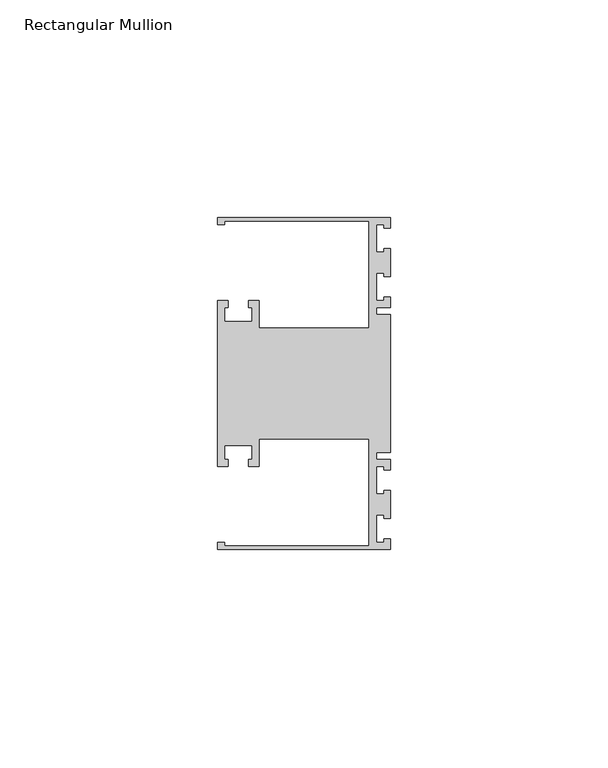
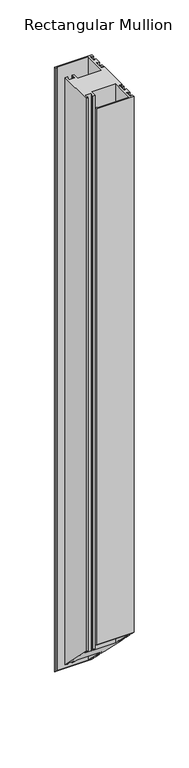
"""IFC4 building model written with IfcOpenShell, lengths in millimetres: member geometry, Rectangular Mullion."""

from ifc_helpers import new_model, si_unit, origin, place, context, project, spatial, faceted_brep, source, transform, mapped, element, save


def rectangular_mullion_b7568340(model_context):
    return source(origin(), model_context, "Body", "Brep", [
        faceted_brep([(0.0, 38.1, 0.0), (-39.6875, 38.1, 0.0), (-39.6875, 36.5125, 0.0), (-38.1, 36.5125, 0.0), (-38.1, 37.30625, 0.0), (-4.8585733, 37.30625, 0.0), (-4.8585733, 12.6999969, 0.0), (-30.1625, 12.6999969, 0.0), (-30.1625, 19.05, 0.0), (-32.54375, 19.05, 0.0), (-32.54375, 17.4625, 0.0), (-31.75, 17.4625, 0.0), (-31.75, 14.2875, 0.0), (-38.1, 14.2875, 0.0), (-38.1, 17.4625, 0.0), (-37.30625, 17.4625, 0.0), (-37.30625, 19.05, 0.0), (-39.6875, 19.05, 0.0), (-39.6875, -19.05, 0.0), (-37.30625, -19.05, 0.0), (-37.30625, -17.4625, 0.0), (-38.1, -17.4625, 0.0), (-38.1, -14.2875, 0.0), (-31.75, -14.2875, 0.0), (-31.75, -17.4625, 0.0), (-32.54375, -17.4625, 0.0), (-32.54375, -19.05, 0.0), (-30.1625, -19.05, 0.0), (-30.1625, -12.6999969, 0.0), (-4.8585733, -12.6999969, 0.0), (-4.8585733, -37.30625, 0.0), (-38.1, -37.30625, 0.0), (-38.1, -36.5125, 0.0), (-39.6875, -36.5125, 0.0), (-39.6875, -38.1, 0.0), (0.0, -38.1, 0.0), (0.0, -35.71875, 0.0), (-1.4999946, -35.71875, 0.0), (-1.4999946, -36.5125, 0.0), (-3.175, -36.5125, 0.0), (-3.175, -30.1625, 0.0), (-1.4999946, -30.1625, 0.0), (-1.4999946, -30.95625, 0.0), (0.0, -30.95625, 0.0), (0.0, -24.60625, 0.0), (-1.4999946, -24.60625, 0.0), (-1.4999946, -25.4, 0.0), (-3.175, -25.4, 0.0), (-3.175, -19.05, 0.0), (-1.4999946, -19.05, 0.0), (-1.4999946, -19.84375, 0.0), (0.0, -19.84375, 0.0), (0.0, -17.4625, 0.0), (-3.175, -17.4625, 0.0), (-3.175, -15.875, 0.0), (0.0, -15.875, 0.0), (0.0, 15.875, 0.0), (-3.175, 15.875, 0.0), (-3.175, 17.4625, 0.0), (0.0, 17.4625, 0.0), (0.0, 19.84375, 0.0), (-1.4999946, 19.84375, 0.0), (-1.4999946, 19.05, 0.0), (-3.175, 19.05, 0.0), (-3.175, 25.4, 0.0), (-1.4999946, 25.4, 0.0), (-1.4999946, 24.60625, 0.0), (0.0, 24.60625, 0.0), (0.0, 30.95625, 0.0), (-1.4999946, 30.95625, 0.0), (-1.4999946, 30.1625, 0.0), (-3.175, 30.1625, 0.0), (-3.175, 36.5125, 0.0), (-1.4999946, 36.5125, 0.0), (-1.4999946, 35.71875, 0.0), (0.0, 35.71875, 0.0), (0.0, 38.1, -673.1), (-39.6875, 38.1, -673.1), (-39.6875, 36.5125, -671.5125), (-38.1, 36.5125, -671.5125), (-38.1, 37.30625, -672.30625), (-4.8585733, 37.30625, -672.30625), (-4.8585733, 12.6999969, -647.6999969), (-30.1625, 12.6999969, -647.6999969), (-30.1625, 19.05, -654.05), (-32.54375, 19.05, -654.05), (-32.54375, 17.4625, -652.4625), (-31.75, 17.4625, -652.4625), (-31.75, 14.2875, -649.2875), (-38.1, 14.2875, -649.2875), (-38.1, 17.4625, -652.4625), (-37.30625, 17.4625, -652.4625), (-37.30625, 19.05, -654.05), (-39.6875, 19.05, -654.05), (-39.6875, -19.05, -615.95), (-37.30625, -19.05, -615.95), (-37.30625, -17.4625, -617.5375), (-38.1, -17.4625, -617.5375), (-38.1, -14.2875, -620.7125), (-31.75, -14.2875, -620.7125), (-31.75, -17.4625, -617.5375), (-32.54375, -17.4625, -617.5375), (-32.54375, -19.05, -615.95), (-30.1625, -19.05, -615.95), (-30.1625, -12.6999969, -622.3000031), (-4.8585733, -12.6999969, -622.3000031), (-4.8585733, -37.30625, -597.69375), (-38.1, -37.30625, -597.69375), (-38.1, -36.5125, -598.4875), (-39.6875, -36.5125, -598.4875), (-39.6875, -38.1, -596.9), (0.0, -38.1, -596.9), (0.0, -35.71875, -599.28125), (-1.4999946, -35.71875, -599.28125), (-1.4999946, -36.5125, -598.4875), (-3.175, -36.5125, -598.4875), (-3.175, -30.1625, -604.8375), (-1.4999946, -30.1625, -604.8375), (-1.4999946, -30.95625, -604.04375), (0.0, -30.95625, -604.04375), (0.0, -24.60625, -610.39375), (-1.4999946, -24.60625, -610.39375), (-1.4999946, -25.4, -609.6), (-3.175, -25.4, -609.6), (-3.175, -19.05, -615.95), (-1.4999946, -19.05, -615.95), (-1.4999946, -19.84375, -615.15625), (0.0, -19.84375, -615.15625), (0.0, -17.4625, -617.5375), (-3.175, -17.4625, -617.5375), (-3.175, -15.875, -619.125), (0.0, -15.875, -619.125), (0.0, 15.875, -650.875), (-3.175, 15.875, -650.875), (-3.175, 17.4625, -652.4625), (0.0, 17.4625, -652.4625), (0.0, 19.84375, -654.84375), (-1.4999946, 19.84375, -654.84375), (-1.4999946, 19.05, -654.05), (-3.175, 19.05, -654.05), (-3.175, 25.4, -660.4), (-1.4999946, 25.4, -660.4), (-1.4999946, 24.60625, -659.60625), (0.0, 24.60625, -659.60625), (0.0, 30.95625, -665.95625), (-1.4999946, 30.95625, -665.95625), (-1.4999946, 30.1625, -665.1625), (-3.175, 30.1625, -665.1625), (-3.175, 36.5125, -671.5125), (-1.4999946, 36.5125, -671.5125), (-1.4999946, 35.71875, -670.71875), (0.0, 35.71875, -670.71875)], [[[0, 1, 2, 3, 4, 5, 6, 7, 8, 9, 10, 11, 12, 13, 14, 15, 16, 17, 18, 19, 20, 21, 22, 23, 24, 25, 26, 27, 28, 29, 30, 31, 32, 33, 34, 35, 36, 37, 38, 39, 40, 41, 42, 43, 44, 45, 46, 47, 48, 49, 50, 51, 52, 53, 54, 55, 56, 57, 58, 59, 60, 61, 62, 63, 64, 65, 66, 67, 68, 69, 70, 71, 72, 73, 74, 75]], [[1, 0, 76, 77]], [[2, 1, 77, 78]], [[3, 2, 78, 79]], [[4, 3, 79, 80]], [[5, 4, 80, 81]], [[6, 5, 81, 82]], [[7, 6, 82, 83]], [[8, 7, 83, 84]], [[9, 8, 84, 85]], [[10, 9, 85, 86]], [[11, 10, 86, 87]], [[12, 11, 87, 88]], [[13, 12, 88, 89]], [[14, 13, 89, 90]], [[15, 14, 90, 91]], [[16, 15, 91, 92]], [[17, 16, 92, 93]], [[18, 17, 93, 94]], [[19, 18, 94, 95]], [[20, 19, 95, 96]], [[21, 20, 96, 97]], [[22, 21, 97, 98]], [[23, 22, 98, 99]], [[24, 23, 99, 100]], [[25, 24, 100, 101]], [[26, 25, 101, 102]], [[27, 26, 102, 103]], [[28, 27, 103, 104]], [[29, 28, 104, 105]], [[30, 29, 105, 106]], [[31, 30, 106, 107]], [[32, 31, 107, 108]], [[33, 32, 108, 109]], [[34, 33, 109, 110]], [[35, 34, 110, 111]], [[36, 35, 111, 112]], [[37, 36, 112, 113]], [[38, 37, 113, 114]], [[39, 38, 114, 115]], [[40, 39, 115, 116]], [[41, 40, 116, 117]], [[42, 41, 117, 118]], [[43, 42, 118, 119]], [[44, 43, 119, 120]], [[45, 44, 120, 121]], [[46, 45, 121, 122]], [[47, 46, 122, 123]], [[48, 47, 123, 124]], [[49, 48, 124, 125]], [[50, 49, 125, 126]], [[51, 50, 126, 127]], [[52, 51, 127, 128]], [[53, 52, 128, 129]], [[54, 53, 129, 130]], [[55, 54, 130, 131]], [[56, 55, 131, 132]], [[57, 56, 132, 133]], [[58, 57, 133, 134]], [[59, 58, 134, 135]], [[60, 59, 135, 136]], [[61, 60, 136, 137]], [[62, 61, 137, 138]], [[63, 62, 138, 139]], [[64, 63, 139, 140]], [[65, 64, 140, 141]], [[66, 65, 141, 142]], [[67, 66, 142, 143]], [[68, 67, 143, 144]], [[69, 68, 144, 145]], [[70, 69, 145, 146]], [[71, 70, 146, 147]], [[72, 71, 147, 148]], [[73, 72, 148, 149]], [[74, 73, 149, 150]], [[75, 74, 150, 151]], [[0, 75, 151, 76]], [[76, 151, 150, 149, 148, 147, 146, 145, 144, 143, 142, 141, 140, 139, 138, 137, 136, 135, 134, 133, 132, 131, 130, 129, 128, 127, 126, 125, 124, 123, 122, 121, 120, 119, 118, 117, 116, 115, 114, 113, 112, 111, 110, 109, 108, 107, 106, 105, 104, 103, 102, 101, 100, 99, 98, 97, 96, 95, 94, 93, 92, 91, 90, 89, 88, 87, 86, 85, 84, 83, 82, 81, 80, 79, 78, 77]]]),
    ])


if __name__ == "__main__":
    model = new_model("IFC4")
    model_context = context("Model", 3, world=origin())
    ifc_project = project(units=[si_unit("LENGTHUNIT", "METRE", prefix="MILLI")], contexts=[model_context])
    site = spatial("IfcSite", under=ifc_project)
    building = spatial("IfcBuilding", under=site)
    placement = place(None, origin())
    rectangular_mullion_shape = rectangular_mullion_b7568340(model_context)
    element("IfcMember", 1, ObjectType="Rectangular Mullion", at=placement, inside=building, context=model_context, shape_type="MappedRepresentation", body=[
        mapped(rectangular_mullion_shape, transform((0.0, 0.0, 0.0), x_axis=(1.0, 0.0, 0.0), y_axis=(0.0, 1.0, 0.0), z_axis=(0.0, 0.0, 1.0))),
    ])
    save(model, "model.ifc")
